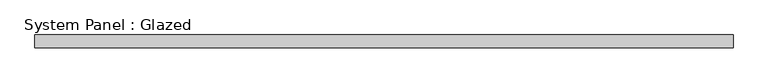
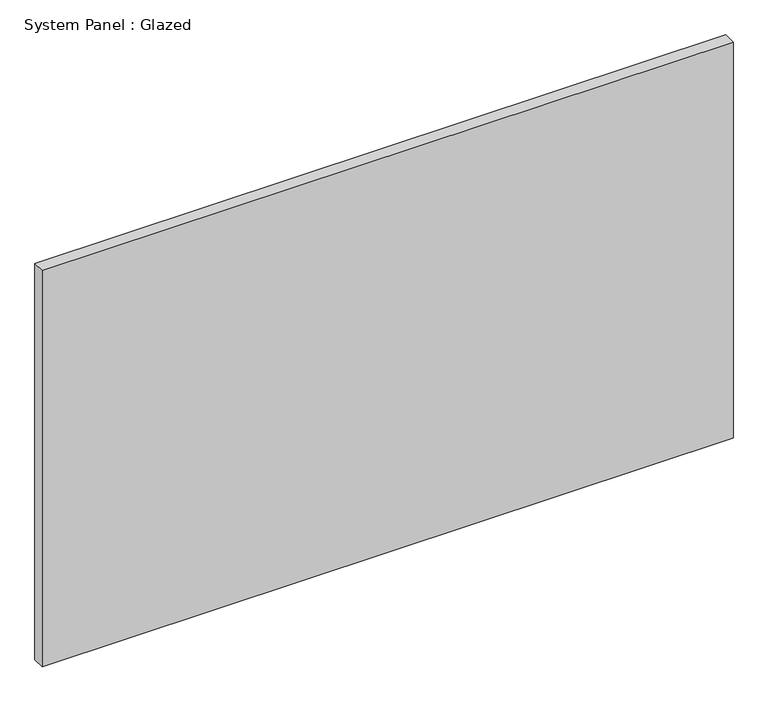
"""IFC4 building model written with IfcOpenShell, lengths in millimetres: plate geometry, System Panel : Glazed."""

from ifc_helpers import new_model, si_unit, origin, origin_with_axes, place, context, project, spatial, polyline, outline, extrude, source, transform, mapped, element, save


def system_panel_glazed_50585908(model_context):
    return source(origin(), model_context, "Body", "SweptSolid", [
        extrude(outline(polyline([(701.675, 19.05), (-701.675, 19.05), (-701.675, 44.45), (701.675, 44.45), (701.675, 19.05)])), origin_with_axes(), (0.0, 0.0, 1.0), 850.9),
    ])


if __name__ == "__main__":
    model = new_model("IFC4")
    model_context = context("Model", 3, world=origin())
    ifc_project = project(units=[si_unit("LENGTHUNIT", "METRE", prefix="MILLI")], contexts=[model_context])
    site = spatial("IfcSite", under=ifc_project)
    building = spatial("IfcBuilding", under=site)
    placement = place(None, origin())
    system_panel_glazed_shape = system_panel_glazed_50585908(model_context)
    element("IfcPlate", 1, ObjectType="System Panel : Glazed", at=placement, inside=building, context=model_context, shape_type="MappedRepresentation", body=[
        mapped(system_panel_glazed_shape, transform((0.0, 0.0, 0.0), x_axis=(1.0, 0.0, 0.0), y_axis=(0.0, 1.0, 0.0), z_axis=(0.0, 0.0, 1.0))),
    ])
    save(model, "model.ifc")
